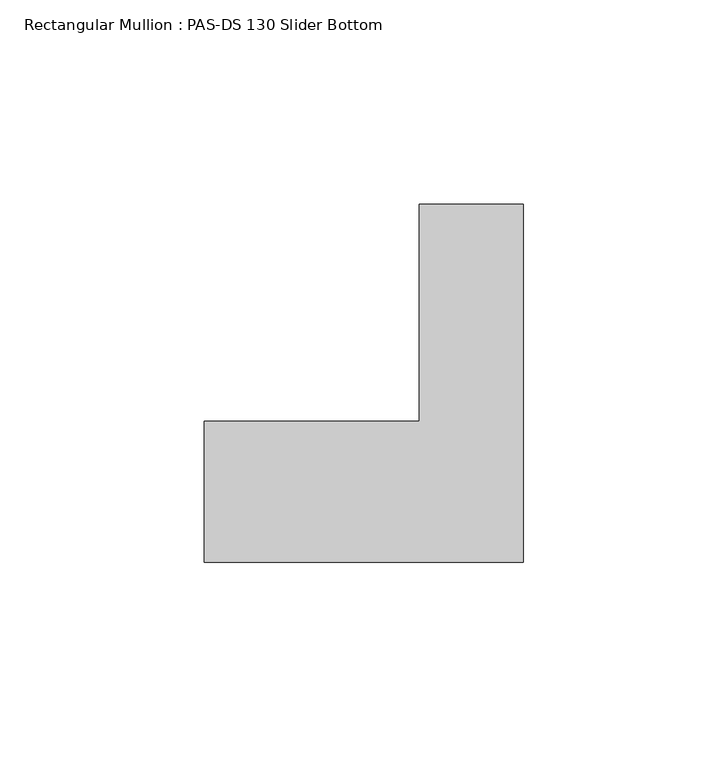
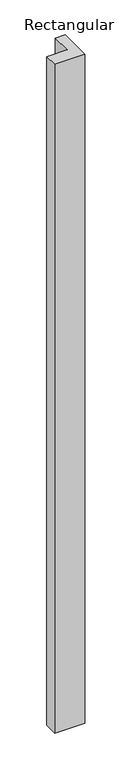
"""IFC4 building model written with IfcOpenShell, lengths in millimetres: member geometry, Rectangular Mullion : PAS-DS 130 Slider Bottom."""

from ifc_helpers import new_model, si_unit, frame, origin, place, context, project, spatial, polyline, outline, extrude, source, transform, mapped, element, save


def rectangular_mullion_pas_ds_130_slider_bottom_38947e75(model_context):
    return source(origin(), model_context, "Body", "SweptSolid", [
        extrude(outline(polyline([(-25.41875, 42.5053137), (0.0, 42.5053137), (0.0, -45.0), (-78.0, -45.0), (-78.0, -10.5), (-25.41875, -10.5), (-25.41875, 42.5053137)])), frame((0.0, 0.0, -1820.0), z_axis=(0.0, 0.0, 1.0), x_axis=(1.0, 0.0, 0.0)), (0.0, 0.0, 1.0), 1820.0),
    ])


if __name__ == "__main__":
    model = new_model("IFC4")
    model_context = context("Model", 3, world=origin())
    ifc_project = project(units=[si_unit("LENGTHUNIT", "METRE", prefix="MILLI")], contexts=[model_context])
    site = spatial("IfcSite", under=ifc_project)
    building = spatial("IfcBuilding", under=site)
    placement = place(None, origin())
    rectangular_mullion_pas_ds_130_slider_bottom_shape = rectangular_mullion_pas_ds_130_slider_bottom_38947e75(model_context)
    element("IfcMember", 1, ObjectType="Rectangular Mullion : PAS-DS 130 Slider Bottom", at=placement, inside=building, context=model_context, shape_type="MappedRepresentation", body=[
        mapped(rectangular_mullion_pas_ds_130_slider_bottom_shape, transform((0.0, 0.0, 0.0), x_axis=(1.0, 0.0, 0.0), y_axis=(0.0, 1.0, 0.0), z_axis=(0.0, 0.0, 1.0))),
    ])
    save(model, "model.ifc")
